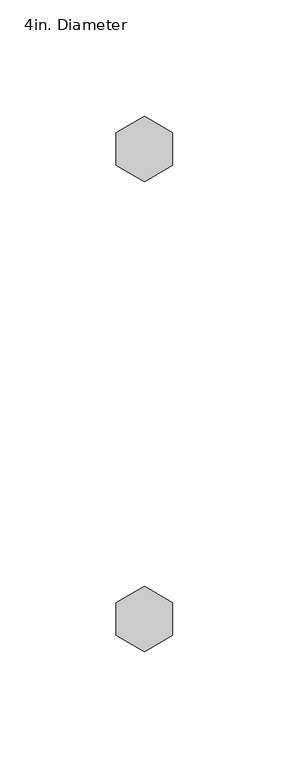
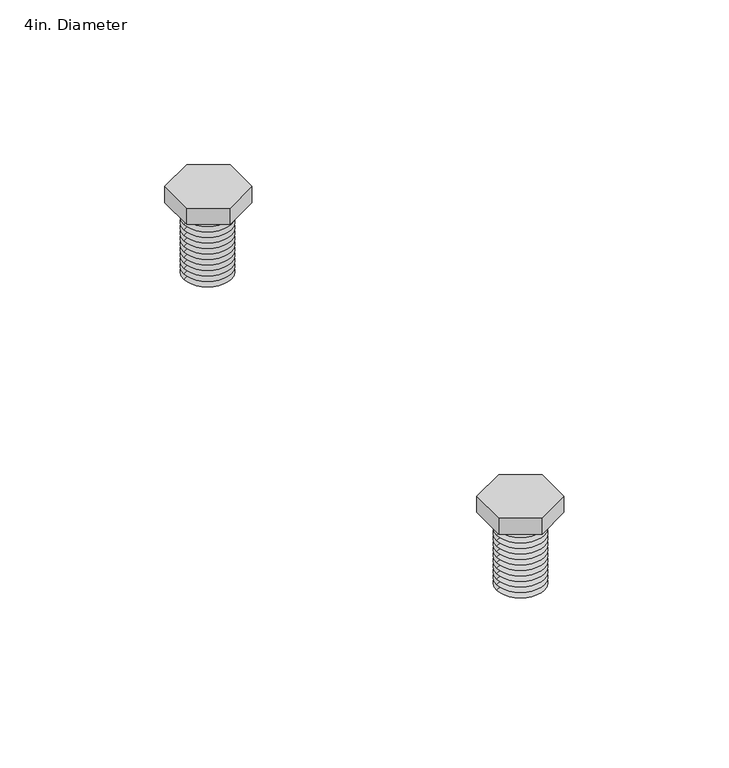
"""IFC4 building model written with IfcOpenShell, lengths in millimetres: proxy geometry, 4in. Diameter."""

from ifc_helpers import new_model, si_unit, frame, origin, place, context, project, spatial, polyline, circle_curve, source, transform, mapped, element, save
from ifc_brep_helpers import plane_surface, revolved_surface, advanced_brep


def proxy_4in_diameter_2cc1a3cd(model_context):
    return source(origin(), model_context, "Body", "AdvancedBrep", [
        advanced_brep(
        [(101.7230356, 115.3513169, 19.0730774), (89.4900703, 108.2886111, 19.0730774), (89.4900703, 94.1631994, 19.0730774), (101.7230356, 87.1004935, 19.0730774), (113.956001, 94.1631994, 19.0730774), (113.956001, 108.2886111, 19.0730774), (101.7230356, 115.3513169, 12.7), (113.956001, 108.2886111, 12.7), (113.956001, 94.1631994, 12.7), (101.7230356, 87.1004935, 12.7), (89.4900703, 94.1631994, 12.7), (89.4900703, 108.2886111, 12.7), (108.4372458, 101.6, 12.7), (94.7775515, 101.6, 12.7), (110.5262054, 101.6, 11.4939386), (92.6885919, 101.6, 11.4939386), (108.4356769, 101.6, 10.5191092), (94.7791204, 101.6, 10.5191092), (110.5262054, 101.6, 9.312142), (92.6885919, 101.6, 9.312142), (108.4356769, 101.6, 8.3373125), (94.7791204, 101.6, 8.3373125), (110.5262054, 101.6, 7.1303454), (92.6885919, 101.6, 7.1303454), (108.4356769, 101.6, 6.1555159), (94.7791204, 101.6, 6.1555159), (110.5262054, 101.6, 4.9485487), (92.6885919, 101.6, 4.9485487), (108.4356769, 101.6, 3.9737193), (94.7791204, 101.6, 3.9737193), (110.5262054, 101.6, 2.7667521), (92.6885919, 101.6, 2.7667521), (108.4356769, 101.6, 1.7919227), (94.7791204, 101.6, 1.7919227), (110.5262054, 101.6, 0.5849555), (92.6885919, 101.6, 0.5849555), (108.4356769, 101.6, -0.3898739), (94.7791204, 101.6, -0.3898739), (110.5262054, 101.6, -1.5968411), (92.6885919, 101.6, -1.5968411), (108.4356769, 101.6, -2.5716705), (94.7791204, 101.6, -2.5716705), (110.5262054, 101.6, -3.7786377), (92.6885919, 101.6, -3.7786377), (108.4356769, 101.6, -4.7534672), (94.7791204, 101.6, -4.7534672), (110.5262054, 101.6, -5.9604343), (92.6885919, 101.6, -5.9604343), (108.4356769, 101.6, -6.9352638), (94.7791204, 101.6, -6.9352638), (110.5262054, 101.6, -8.142231), (92.6885919, 101.6, -8.142231), (108.4356769, 101.6, -9.1170604), (94.7791204, 101.6, -9.1170604), (110.5262054, 101.6, -10.3240276), (92.6885919, 101.6, -10.3240276), (108.4356769, 101.6, -11.298857), (94.7791204, 101.6, -11.298857), (110.5262054, 101.6, -12.5058242), (92.6885919, 101.6, -12.5058242), (108.4356769, 101.6, -13.4806536), (94.7791204, 101.6, -13.4806536), (110.5262054, 101.6, -14.6876208), (92.6885919, 101.6, -14.6876208), (101.6073986, 101.6, -14.6876208)],
        [
            (0, 1),
            (1, 2),
            (2, 3),
            (3, 4),
            (4, 5),
            (5, 0),
            (6, 7),
            (7, 8),
            (8, 9),
            (9, 10),
            (10, 11),
            (11, 6),
            (12, 13, circle_curve(frame((101.6073986, 101.6, 12.7), z_axis=(0.0, 0.0, 1.0), x_axis=(1.0, 0.0, 0.0)), 6.8298471)),
            (13, 12, circle_curve(frame((101.6073986, 101.6, 12.7), z_axis=(0.0, 0.0, 1.0), x_axis=(1.0, 0.0, 0.0)), 6.8298471)),
            (5, 7),
            (6, 0),
            (4, 8),
            (3, 9),
            (2, 10),
            (1, 11),
            (12, 14),
            (14, 15, circle_curve(frame((101.6073986, 101.6, 11.4939386), z_axis=(0.0, 0.0, 1.0), x_axis=(1.0, 0.0, 0.0)), 8.9188068)),
            (15, 13),
            (15, 14, circle_curve(frame((101.6073986, 101.6, 11.4939386), z_axis=(0.0, 0.0, 1.0), x_axis=(1.0, 0.0, 0.0)), 8.9188068)),
            (14, 16),
            (16, 17, circle_curve(frame((101.6073986, 101.6, 10.5191092), z_axis=(0.0, 0.0, 1.0), x_axis=(1.0, 0.0, 0.0)), 6.8282783)),
            (17, 15),
            (17, 16, circle_curve(frame((101.6073986, 101.6, 10.5191092), z_axis=(0.0, 0.0, 1.0), x_axis=(1.0, 0.0, 0.0)), 6.8282783)),
            (16, 18),
            (18, 19, circle_curve(frame((101.6073986, 101.6, 9.312142), z_axis=(0.0, 0.0, 1.0), x_axis=(1.0, 0.0, 0.0)), 8.9188068)),
            (19, 17),
            (19, 18, circle_curve(frame((101.6073986, 101.6, 9.312142), z_axis=(0.0, 0.0, 1.0), x_axis=(1.0, 0.0, 0.0)), 8.9188068)),
            (18, 20),
            (20, 21, circle_curve(frame((101.6073986, 101.6, 8.3373125), z_axis=(0.0, 0.0, 1.0), x_axis=(1.0, 0.0, 0.0)), 6.8282783)),
            (21, 19),
            (21, 20, circle_curve(frame((101.6073986, 101.6, 8.3373125), z_axis=(0.0, 0.0, 1.0), x_axis=(1.0, 0.0, 0.0)), 6.8282783)),
            (20, 22),
            (22, 23, circle_curve(frame((101.6073986, 101.6, 7.1303454), z_axis=(0.0, 0.0, 1.0), x_axis=(1.0, 0.0, 0.0)), 8.9188068)),
            (23, 21),
            (23, 22, circle_curve(frame((101.6073986, 101.6, 7.1303454), z_axis=(0.0, 0.0, 1.0), x_axis=(1.0, 0.0, 0.0)), 8.9188068)),
            (22, 24),
            (24, 25, circle_curve(frame((101.6073986, 101.6, 6.1555159), z_axis=(0.0, 0.0, 1.0), x_axis=(1.0, 0.0, 0.0)), 6.8282783)),
            (25, 23),
            (25, 24, circle_curve(frame((101.6073986, 101.6, 6.1555159), z_axis=(0.0, 0.0, 1.0), x_axis=(1.0, 0.0, 0.0)), 6.8282783)),
            (24, 26),
            (26, 27, circle_curve(frame((101.6073986, 101.6, 4.9485487), z_axis=(0.0, 0.0, 1.0), x_axis=(1.0, 0.0, 0.0)), 8.9188068)),
            (27, 25),
            (27, 26, circle_curve(frame((101.6073986, 101.6, 4.9485487), z_axis=(0.0, 0.0, 1.0), x_axis=(1.0, 0.0, 0.0)), 8.9188068)),
            (26, 28),
            (28, 29, circle_curve(frame((101.6073986, 101.6, 3.9737193), z_axis=(0.0, 0.0, 1.0), x_axis=(1.0, 0.0, 0.0)), 6.8282783)),
            (29, 27),
            (29, 28, circle_curve(frame((101.6073986, 101.6, 3.9737193), z_axis=(0.0, 0.0, 1.0), x_axis=(1.0, 0.0, 0.0)), 6.8282783)),
            (28, 30),
            (30, 31, circle_curve(frame((101.6073986, 101.6, 2.7667521), z_axis=(0.0, 0.0, 1.0), x_axis=(1.0, 0.0, 0.0)), 8.9188068)),
            (31, 29),
            (31, 30, circle_curve(frame((101.6073986, 101.6, 2.7667521), z_axis=(0.0, 0.0, 1.0), x_axis=(1.0, 0.0, 0.0)), 8.9188068)),
            (30, 32),
            (32, 33, circle_curve(frame((101.6073986, 101.6, 1.7919227), z_axis=(0.0, 0.0, 1.0), x_axis=(1.0, 0.0, 0.0)), 6.8282783)),
            (33, 31),
            (33, 32, circle_curve(frame((101.6073986, 101.6, 1.7919227), z_axis=(0.0, 0.0, 1.0), x_axis=(1.0, 0.0, 0.0)), 6.8282783)),
            (32, 34),
            (34, 35, circle_curve(frame((101.6073986, 101.6, 0.5849555), z_axis=(0.0, 0.0, 1.0), x_axis=(1.0, 0.0, 0.0)), 8.9188068)),
            (35, 33),
            (35, 34, circle_curve(frame((101.6073986, 101.6, 0.5849555), z_axis=(0.0, 0.0, 1.0), x_axis=(1.0, 0.0, 0.0)), 8.9188068)),
            (34, 36),
            (36, 37, circle_curve(frame((101.6073986, 101.6, -0.3898739), z_axis=(0.0, 0.0, 1.0), x_axis=(1.0, 0.0, 0.0)), 6.8282783)),
            (37, 35),
            (37, 36, circle_curve(frame((101.6073986, 101.6, -0.3898739), z_axis=(0.0, 0.0, 1.0), x_axis=(1.0, 0.0, 0.0)), 6.8282783)),
            (36, 38),
            (38, 39, circle_curve(frame((101.6073986, 101.6, -1.5968411), z_axis=(0.0, 0.0, 1.0), x_axis=(1.0, 0.0, 0.0)), 8.9188068)),
            (39, 37),
            (39, 38, circle_curve(frame((101.6073986, 101.6, -1.5968411), z_axis=(0.0, 0.0, 1.0), x_axis=(1.0, 0.0, 0.0)), 8.9188068)),
            (38, 40),
            (40, 41, circle_curve(frame((101.6073986, 101.6, -2.5716705), z_axis=(0.0, 0.0, 1.0), x_axis=(1.0, 0.0, 0.0)), 6.8282783)),
            (41, 39),
            (41, 40, circle_curve(frame((101.6073986, 101.6, -2.5716705), z_axis=(0.0, 0.0, 1.0), x_axis=(1.0, 0.0, 0.0)), 6.8282783)),
            (40, 42),
            (42, 43, circle_curve(frame((101.6073986, 101.6, -3.7786377), z_axis=(0.0, 0.0, 1.0), x_axis=(1.0, 0.0, 0.0)), 8.9188068)),
            (43, 41),
            (43, 42, circle_curve(frame((101.6073986, 101.6, -3.7786377), z_axis=(0.0, 0.0, 1.0), x_axis=(1.0, 0.0, 0.0)), 8.9188068)),
            (42, 44),
            (44, 45, circle_curve(frame((101.6073986, 101.6, -4.7534672), z_axis=(0.0, 0.0, 1.0), x_axis=(1.0, 0.0, 0.0)), 6.8282783)),
            (45, 43),
            (45, 44, circle_curve(frame((101.6073986, 101.6, -4.7534672), z_axis=(0.0, 0.0, 1.0), x_axis=(1.0, 0.0, 0.0)), 6.8282783)),
            (44, 46),
            (46, 47, circle_curve(frame((101.6073986, 101.6, -5.9604343), z_axis=(0.0, 0.0, 1.0), x_axis=(1.0, 0.0, 0.0)), 8.9188068)),
            (47, 45),
            (47, 46, circle_curve(frame((101.6073986, 101.6, -5.9604343), z_axis=(0.0, 0.0, 1.0), x_axis=(1.0, 0.0, 0.0)), 8.9188068)),
            (46, 48),
            (48, 49, circle_curve(frame((101.6073986, 101.6, -6.9352638), z_axis=(0.0, 0.0, 1.0), x_axis=(1.0, 0.0, 0.0)), 6.8282783)),
            (49, 47),
            (49, 48, circle_curve(frame((101.6073986, 101.6, -6.9352638), z_axis=(0.0, 0.0, 1.0), x_axis=(1.0, 0.0, 0.0)), 6.8282783)),
            (48, 50),
            (50, 51, circle_curve(frame((101.6073986, 101.6, -8.142231), z_axis=(0.0, 0.0, 1.0), x_axis=(1.0, 0.0, 0.0)), 8.9188068)),
            (51, 49),
            (51, 50, circle_curve(frame((101.6073986, 101.6, -8.142231), z_axis=(0.0, 0.0, 1.0), x_axis=(1.0, 0.0, 0.0)), 8.9188068)),
            (50, 52),
            (52, 53, circle_curve(frame((101.6073986, 101.6, -9.1170604), z_axis=(0.0, 0.0, 1.0), x_axis=(1.0, 0.0, 0.0)), 6.8282783)),
            (53, 51),
            (53, 52, circle_curve(frame((101.6073986, 101.6, -9.1170604), z_axis=(0.0, 0.0, 1.0), x_axis=(1.0, 0.0, 0.0)), 6.8282783)),
            (52, 54),
            (54, 55, circle_curve(frame((101.6073986, 101.6, -10.3240276), z_axis=(0.0, 0.0, 1.0), x_axis=(1.0, 0.0, 0.0)), 8.9188068)),
            (55, 53),
            (55, 54, circle_curve(frame((101.6073986, 101.6, -10.3240276), z_axis=(0.0, 0.0, 1.0), x_axis=(1.0, 0.0, 0.0)), 8.9188068)),
            (54, 56),
            (56, 57, circle_curve(frame((101.6073986, 101.6, -11.298857), z_axis=(0.0, 0.0, 1.0), x_axis=(1.0, 0.0, 0.0)), 6.8282783)),
            (57, 55),
            (57, 56, circle_curve(frame((101.6073986, 101.6, -11.298857), z_axis=(0.0, 0.0, 1.0), x_axis=(1.0, 0.0, 0.0)), 6.8282783)),
            (56, 58),
            (58, 59, circle_curve(frame((101.6073986, 101.6, -12.5058242), z_axis=(0.0, 0.0, 1.0), x_axis=(1.0, 0.0, 0.0)), 8.9188068)),
            (59, 57),
            (59, 58, circle_curve(frame((101.6073986, 101.6, -12.5058242), z_axis=(0.0, 0.0, 1.0), x_axis=(1.0, 0.0, 0.0)), 8.9188068)),
            (58, 60),
            (60, 61, circle_curve(frame((101.6073986, 101.6, -13.4806536), z_axis=(0.0, 0.0, 1.0), x_axis=(1.0, 0.0, 0.0)), 6.8282783)),
            (61, 59),
            (61, 60, circle_curve(frame((101.6073986, 101.6, -13.4806536), z_axis=(0.0, 0.0, 1.0), x_axis=(1.0, 0.0, 0.0)), 6.8282783)),
            (60, 62),
            (62, 63, circle_curve(frame((101.6073986, 101.6, -14.6876208), z_axis=(0.0, 0.0, 1.0), x_axis=(1.0, 0.0, 0.0)), 8.9188068)),
            (63, 61),
            (63, 62, circle_curve(frame((101.6073986, 101.6, -14.6876208), z_axis=(0.0, 0.0, 1.0), x_axis=(1.0, 0.0, 0.0)), 8.9188068)),
            (62, 64),
            (64, 63),
        ],
        [
            plane_surface(frame((87.669053, 107.2372462, 19.0730774), z_axis=(0.0, 0.0, 1.0), x_axis=(-0.866025403784438, -0.5000000000000011, 0.0))),
            plane_surface(frame((87.669053, 107.2372462, 12.7), z_axis=(0.0, 0.0, -1.0), x_axis=(0.866025403784438, 0.5000000000000011, 0.0))),
            plane_surface(frame((113.956001, 108.2886111, 19.0730774), z_axis=(0.4999999999999984, 0.8660254037844396, 0.0), x_axis=(0.0, 0.0, -1.0))),
            plane_surface(frame((113.956001, 94.1631994, 19.0730774), z_axis=(1.0, 0.0, 0.0), x_axis=(0.0, 0.0, -1.0))),
            plane_surface(frame((101.7230356, 87.1004935, 19.0730774), z_axis=(0.5000000000000028, -0.8660254037844372, 0.0), x_axis=(0.0, 0.0, -1.0))),
            plane_surface(frame((89.4900703, 94.1631994, 19.0730774), z_axis=(-0.49999999999999434, -0.8660254037844419, 0.0), x_axis=(0.0, 0.0, -1.0))),
            plane_surface(frame((89.4900703, 108.2886111, 19.0730774), z_axis=(-1.0, 0.0, 0.0), x_axis=(0.0, 0.0, -1.0))),
            plane_surface(frame((101.7230356, 115.3513169, 19.0730774), z_axis=(-0.5000000000000011, 0.866025403784438, 0.0), x_axis=(0.0, 0.0, -1.0))),
            revolved_surface(polyline([(110.5262054, 101.6, 11.4939386), (108.4356769, 101.6, 12.7009058)]), (101.6073986, 101.6, 12.5015625), (0.0, 0.0, 1.0)),
            revolved_surface(polyline([(108.4356769, 101.6, 10.5191092), (110.5262054, 101.6, 11.4939386)]), (101.6073986, 101.6, 12.5015625), (0.0, 0.0, 1.0)),
            revolved_surface(polyline([(110.5262054, 101.6, 9.312142), (108.4356769, 101.6, 10.5191092)]), (101.6073986, 101.6, 12.5015625), (0.0, 0.0, 1.0)),
            revolved_surface(polyline([(108.4356769, 101.6, 8.3373125), (110.5262054, 101.6, 9.312142)]), (101.6073986, 101.6, 12.5015625), (0.0, 0.0, 1.0)),
            revolved_surface(polyline([(110.5262054, 101.6, 7.1303454), (108.4356769, 101.6, 8.3373125)]), (101.6073986, 101.6, 12.5015625), (0.0, 0.0, 1.0)),
            revolved_surface(polyline([(108.4356769, 101.6, 6.1555159), (110.5262054, 101.6, 7.1303454)]), (101.6073986, 101.6, 12.5015625), (0.0, 0.0, 1.0)),
            revolved_surface(polyline([(110.5262054, 101.6, 4.9485487), (108.4356769, 101.6, 6.1555159)]), (101.6073986, 101.6, 12.5015625), (0.0, 0.0, 1.0)),
            revolved_surface(polyline([(108.4356769, 101.6, 3.9737193), (110.5262054, 101.6, 4.9485487)]), (101.6073986, 101.6, 12.5015625), (0.0, 0.0, 1.0)),
            revolved_surface(polyline([(110.5262054, 101.6, 2.7667521), (108.4356769, 101.6, 3.9737193)]), (101.6073986, 101.6, 12.5015625), (0.0, 0.0, 1.0)),
            revolved_surface(polyline([(108.4356769, 101.6, 1.7919227), (110.5262054, 101.6, 2.7667521)]), (101.6073986, 101.6, 12.5015625), (0.0, 0.0, 1.0)),
            revolved_surface(polyline([(110.5262054, 101.6, 0.5849555), (108.4356769, 101.6, 1.7919227)]), (101.6073986, 101.6, 12.5015625), (0.0, 0.0, 1.0)),
            revolved_surface(polyline([(108.4356769, 101.6, -0.3898739), (110.5262054, 101.6, 0.5849555)]), (101.6073986, 101.6, 12.5015625), (0.0, 0.0, 1.0)),
            revolved_surface(polyline([(110.5262054, 101.6, -1.5968411), (108.4356769, 101.6, -0.3898739)]), (101.6073986, 101.6, 12.5015625), (0.0, 0.0, 1.0)),
            revolved_surface(polyline([(108.4356769, 101.6, -2.5716705), (110.5262054, 101.6, -1.5968411)]), (101.6073986, 101.6, 12.5015625), (0.0, 0.0, 1.0)),
            revolved_surface(polyline([(110.5262054, 101.6, -3.7786377), (108.4356769, 101.6, -2.5716705)]), (101.6073986, 101.6, 12.5015625), (0.0, 0.0, 1.0)),
            revolved_surface(polyline([(108.4356769, 101.6, -4.7534672), (110.5262054, 101.6, -3.7786377)]), (101.6073986, 101.6, 12.5015625), (0.0, 0.0, 1.0)),
            revolved_surface(polyline([(110.5262054, 101.6, -5.9604343), (108.4356769, 101.6, -4.7534672)]), (101.6073986, 101.6, 12.5015625), (0.0, 0.0, 1.0)),
            revolved_surface(polyline([(108.4356769, 101.6, -6.9352638), (110.5262054, 101.6, -5.9604343)]), (101.6073986, 101.6, 12.5015625), (0.0, 0.0, 1.0)),
            revolved_surface(polyline([(110.5262054, 101.6, -8.142231), (108.4356769, 101.6, -6.9352638)]), (101.6073986, 101.6, 12.5015625), (0.0, 0.0, 1.0)),
            revolved_surface(polyline([(108.4356769, 101.6, -9.1170604), (110.5262054, 101.6, -8.142231)]), (101.6073986, 101.6, 12.5015625), (0.0, 0.0, 1.0)),
            revolved_surface(polyline([(110.5262054, 101.6, -10.3240276), (108.4356769, 101.6, -9.1170604)]), (101.6073986, 101.6, 12.5015625), (0.0, 0.0, 1.0)),
            revolved_surface(polyline([(108.4356769, 101.6, -11.298857), (110.5262054, 101.6, -10.3240276)]), (101.6073986, 101.6, 12.5015625), (0.0, 0.0, 1.0)),
            revolved_surface(polyline([(110.5262054, 101.6, -12.5058242), (108.4356769, 101.6, -11.298857)]), (101.6073986, 101.6, 12.5015625), (0.0, 0.0, 1.0)),
            revolved_surface(polyline([(108.4356769, 101.6, -13.4806536), (110.5262054, 101.6, -12.5058242)]), (101.6073986, 101.6, 12.5015625), (0.0, 0.0, 1.0)),
            revolved_surface(polyline([(110.5262054, 101.6, -14.6876208), (108.4356769, 101.6, -13.4806536)]), (101.6073986, 101.6, 12.5015625), (0.0, 0.0, 1.0)),
            plane_surface(frame((101.6073986, 101.6, -14.6876208), z_axis=(0.0, 0.0, -1.0), x_axis=(1.0, 0.0, 0.0))),
        ],
        [
            (0, [[1, 2, 3, 4, 5, 6]]),
            (1, [[7, 8, 9, 10, 11, 12], [13, 14]]),
            (2, [[-6, 15, -7, 16]]),
            (3, [[-5, 17, -8, -15]]),
            (4, [[-4, 18, -9, -17]]),
            (5, [[-3, 19, -10, -18]]),
            (6, [[-2, 20, -11, -19]]),
            (7, [[-1, -16, -12, -20]]),
            (8, [[21, 22, 23, -13]]),
            (8, [[-21, -14, -23, 24]]),
            (9, [[-22, 25, 26, 27]]),
            (9, [[-24, -27, 28, -25]]),
            (10, [[-26, 29, 30, 31]]),
            (10, [[-28, -31, 32, -29]]),
            (11, [[-30, 33, 34, 35]]),
            (11, [[-32, -35, 36, -33]]),
            (12, [[-34, 37, 38, 39]]),
            (12, [[-36, -39, 40, -37]]),
            (13, [[-38, 41, 42, 43]]),
            (13, [[-40, -43, 44, -41]]),
            (14, [[-42, 45, 46, 47]]),
            (14, [[-44, -47, 48, -45]]),
            (15, [[-46, 49, 50, 51]]),
            (15, [[-48, -51, 52, -49]]),
            (16, [[-50, 53, 54, 55]]),
            (16, [[-52, -55, 56, -53]]),
            (17, [[-54, 57, 58, 59]]),
            (17, [[-56, -59, 60, -57]]),
            (18, [[-58, 61, 62, 63]]),
            (18, [[-60, -63, 64, -61]]),
            (19, [[-62, 65, 66, 67]]),
            (19, [[-64, -67, 68, -65]]),
            (20, [[-66, 69, 70, 71]]),
            (20, [[-68, -71, 72, -69]]),
            (21, [[-70, 73, 74, 75]]),
            (21, [[-72, -75, 76, -73]]),
            (22, [[-74, 77, 78, 79]]),
            (22, [[-76, -79, 80, -77]]),
            (23, [[-78, 81, 82, 83]]),
            (23, [[-80, -83, 84, -81]]),
            (24, [[-82, 85, 86, 87]]),
            (24, [[-84, -87, 88, -85]]),
            (25, [[-86, 89, 90, 91]]),
            (25, [[-88, -91, 92, -89]]),
            (26, [[-90, 93, 94, 95]]),
            (26, [[-92, -95, 96, -93]]),
            (27, [[-94, 97, 98, 99]]),
            (27, [[-96, -99, 100, -97]]),
            (28, [[-98, 101, 102, 103]]),
            (28, [[-100, -103, 104, -101]]),
            (29, [[-102, 105, 106, 107]]),
            (29, [[-104, -107, 108, -105]]),
            (30, [[-106, 109, 110, 111]]),
            (30, [[-108, -111, 112, -109]]),
            (31, [[-110, 113, 114, 115]]),
            (31, [[-112, -115, 116, -113]]),
            (32, [[-114, 117, 118, 119]]),
            (32, [[-116, -119, 120, -117]]),
            (33, [[-118, 121, 122]]),
            (33, [[-120, -122, -121]]),
        ],
    ),
        advanced_brep(
        [(92.6885919, -101.6, 11.4939386), (110.5262054, -101.6, 11.4939386), (108.4356769, -101.6, 12.7009058), (94.7775515, -101.6, 12.7), (94.7791204, -101.6, 10.5191092), (108.4356769, -101.6, 10.5191092), (92.6885919, -101.6, 9.312142), (110.5262054, -101.6, 9.312142), (94.7791204, -101.6, 8.3373125), (108.4356769, -101.6, 8.3373125), (92.6885919, -101.6, 7.1303454), (110.5262054, -101.6, 7.1303454), (94.7791204, -101.6, 6.1555159), (108.4356769, -101.6, 6.1555159), (92.6885919, -101.6, 4.9485487), (110.5262054, -101.6, 4.9485487), (94.7791204, -101.6, 3.9737193), (108.4356769, -101.6, 3.9737193), (92.6885919, -101.6, 2.7667521), (110.5262054, -101.6, 2.7667521), (94.7791204, -101.6, 1.7919227), (108.4356769, -101.6, 1.7919227), (92.6885919, -101.6, 0.5849555), (110.5262054, -101.6, 0.5849555), (94.7791204, -101.6, -0.3898739), (108.4356769, -101.6, -0.3898739), (92.6885919, -101.6, -1.5968411), (110.5262054, -101.6, -1.5968411), (94.7791204, -101.6, -2.5716705), (108.4356769, -101.6, -2.5716705), (92.6885919, -101.6, -3.7786377), (110.5262054, -101.6, -3.7786377), (94.7791204, -101.6, -4.7534672), (108.4356769, -101.6, -4.7534672), (92.6885919, -101.6, -5.9604343), (110.5262054, -101.6, -5.9604343), (94.7791204, -101.6, -6.9352638), (108.4356769, -101.6, -6.9352638), (92.6885919, -101.6, -8.142231), (110.5262054, -101.6, -8.142231), (94.7791204, -101.6, -9.1170604), (108.4356769, -101.6, -9.1170604), (92.6885919, -101.6, -10.3240276), (110.5262054, -101.6, -10.3240276), (94.7791204, -101.6, -11.298857), (108.4356769, -101.6, -11.298857), (92.6885919, -101.6, -12.5058242), (110.5262054, -101.6, -12.5058242), (94.7791204, -101.6, -13.4806536), (108.4356769, -101.6, -13.4806536), (92.6885919, -101.6, -14.6876208), (110.5262054, -101.6, -14.6876208), (101.6073986, -101.6, -14.6876208), (101.7230356, -115.3513169, 19.0730774), (113.956001, -108.2886111, 19.0730774), (113.956001, -94.1631994, 19.0730774), (101.7230356, -87.1004935, 19.0730774), (89.4900703, -94.1631994, 19.0730774), (89.4900703, -108.2886111, 19.0730774), (101.7230356, -115.3513169, 12.7), (89.4900703, -108.2886111, 12.7), (89.4900703, -94.1631994, 12.7), (101.7230356, -87.1004935, 12.7), (113.956001, -94.1631994, 12.7), (113.956001, -108.2886111, 12.7)],
        [
            (0, 1, circle_curve(frame((101.6073986, -101.6, 11.4939386), z_axis=(0.0, 0.0, 1.0), x_axis=(1.0, 0.0, 0.0)), 8.9188068)),
            (1, 2),
            (2, 3, circle_curve(frame((101.6073986, -101.6, 12.7), z_axis=(0.0, 0.0, -1.0), x_axis=(1.0, 0.0, 0.0)), 6.8298471)),
            (3, 0),
            (1, 0, circle_curve(frame((101.6073986, -101.6, 11.4939386), z_axis=(0.0, 0.0, 1.0), x_axis=(1.0, 0.0, 0.0)), 8.9188068)),
            (3, 2, circle_curve(frame((101.6073986, -101.6, 12.7), z_axis=(0.0, 0.0, -1.0), x_axis=(1.0, 0.0, 0.0)), 6.8298471)),
            (0, 4),
            (4, 5, circle_curve(frame((101.6073986, -101.6, 10.5191092), z_axis=(0.0, 0.0, 1.0), x_axis=(1.0, 0.0, 0.0)), 6.8282783)),
            (5, 1),
            (5, 4, circle_curve(frame((101.6073986, -101.6, 10.5191092), z_axis=(0.0, 0.0, 1.0), x_axis=(1.0, 0.0, 0.0)), 6.8282783)),
            (4, 6),
            (6, 7, circle_curve(frame((101.6073986, -101.6, 9.312142), z_axis=(0.0, 0.0, 1.0), x_axis=(1.0, 0.0, 0.0)), 8.9188068)),
            (7, 5),
            (7, 6, circle_curve(frame((101.6073986, -101.6, 9.312142), z_axis=(0.0, 0.0, 1.0), x_axis=(1.0, 0.0, 0.0)), 8.9188068)),
            (6, 8),
            (8, 9, circle_curve(frame((101.6073986, -101.6, 8.3373125), z_axis=(0.0, 0.0, 1.0), x_axis=(1.0, 0.0, 0.0)), 6.8282783)),
            (9, 7),
            (9, 8, circle_curve(frame((101.6073986, -101.6, 8.3373125), z_axis=(0.0, 0.0, 1.0), x_axis=(1.0, 0.0, 0.0)), 6.8282783)),
            (8, 10),
            (10, 11, circle_curve(frame((101.6073986, -101.6, 7.1303454), z_axis=(0.0, 0.0, 1.0), x_axis=(1.0, 0.0, 0.0)), 8.9188068)),
            (11, 9),
            (11, 10, circle_curve(frame((101.6073986, -101.6, 7.1303454), z_axis=(0.0, 0.0, 1.0), x_axis=(1.0, 0.0, 0.0)), 8.9188068)),
            (10, 12),
            (12, 13, circle_curve(frame((101.6073986, -101.6, 6.1555159), z_axis=(0.0, 0.0, 1.0), x_axis=(1.0, 0.0, 0.0)), 6.8282783)),
            (13, 11),
            (13, 12, circle_curve(frame((101.6073986, -101.6, 6.1555159), z_axis=(0.0, 0.0, 1.0), x_axis=(1.0, 0.0, 0.0)), 6.8282783)),
            (12, 14),
            (14, 15, circle_curve(frame((101.6073986, -101.6, 4.9485487), z_axis=(0.0, 0.0, 1.0), x_axis=(1.0, 0.0, 0.0)), 8.9188068)),
            (15, 13),
            (15, 14, circle_curve(frame((101.6073986, -101.6, 4.9485487), z_axis=(0.0, 0.0, 1.0), x_axis=(1.0, 0.0, 0.0)), 8.9188068)),
            (14, 16),
            (16, 17, circle_curve(frame((101.6073986, -101.6, 3.9737193), z_axis=(0.0, 0.0, 1.0), x_axis=(1.0, 0.0, 0.0)), 6.8282783)),
            (17, 15),
            (17, 16, circle_curve(frame((101.6073986, -101.6, 3.9737193), z_axis=(0.0, 0.0, 1.0), x_axis=(1.0, 0.0, 0.0)), 6.8282783)),
            (16, 18),
            (18, 19, circle_curve(frame((101.6073986, -101.6, 2.7667521), z_axis=(0.0, 0.0, 1.0), x_axis=(1.0, 0.0, 0.0)), 8.9188068)),
            (19, 17),
            (19, 18, circle_curve(frame((101.6073986, -101.6, 2.7667521), z_axis=(0.0, 0.0, 1.0), x_axis=(1.0, 0.0, 0.0)), 8.9188068)),
            (18, 20),
            (20, 21, circle_curve(frame((101.6073986, -101.6, 1.7919227), z_axis=(0.0, 0.0, 1.0), x_axis=(1.0, 0.0, 0.0)), 6.8282783)),
            (21, 19),
            (21, 20, circle_curve(frame((101.6073986, -101.6, 1.7919227), z_axis=(0.0, 0.0, 1.0), x_axis=(1.0, 0.0, 0.0)), 6.8282783)),
            (20, 22),
            (22, 23, circle_curve(frame((101.6073986, -101.6, 0.5849555), z_axis=(0.0, 0.0, 1.0), x_axis=(1.0, 0.0, 0.0)), 8.9188068)),
            (23, 21),
            (23, 22, circle_curve(frame((101.6073986, -101.6, 0.5849555), z_axis=(0.0, 0.0, 1.0), x_axis=(1.0, 0.0, 0.0)), 8.9188068)),
            (22, 24),
            (24, 25, circle_curve(frame((101.6073986, -101.6, -0.3898739), z_axis=(0.0, 0.0, 1.0), x_axis=(1.0, 0.0, 0.0)), 6.8282783)),
            (25, 23),
            (25, 24, circle_curve(frame((101.6073986, -101.6, -0.3898739), z_axis=(0.0, 0.0, 1.0), x_axis=(1.0, 0.0, 0.0)), 6.8282783)),
            (24, 26),
            (26, 27, circle_curve(frame((101.6073986, -101.6, -1.5968411), z_axis=(0.0, 0.0, 1.0), x_axis=(1.0, 0.0, 0.0)), 8.9188068)),
            (27, 25),
            (27, 26, circle_curve(frame((101.6073986, -101.6, -1.5968411), z_axis=(0.0, 0.0, 1.0), x_axis=(1.0, 0.0, 0.0)), 8.9188068)),
            (26, 28),
            (28, 29, circle_curve(frame((101.6073986, -101.6, -2.5716705), z_axis=(0.0, 0.0, 1.0), x_axis=(1.0, 0.0, 0.0)), 6.8282783)),
            (29, 27),
            (29, 28, circle_curve(frame((101.6073986, -101.6, -2.5716705), z_axis=(0.0, 0.0, 1.0), x_axis=(1.0, 0.0, 0.0)), 6.8282783)),
            (28, 30),
            (30, 31, circle_curve(frame((101.6073986, -101.6, -3.7786377), z_axis=(0.0, 0.0, 1.0), x_axis=(1.0, 0.0, 0.0)), 8.9188068)),
            (31, 29),
            (31, 30, circle_curve(frame((101.6073986, -101.6, -3.7786377), z_axis=(0.0, 0.0, 1.0), x_axis=(1.0, 0.0, 0.0)), 8.9188068)),
            (30, 32),
            (32, 33, circle_curve(frame((101.6073986, -101.6, -4.7534672), z_axis=(0.0, 0.0, 1.0), x_axis=(1.0, 0.0, 0.0)), 6.8282783)),
            (33, 31),
            (33, 32, circle_curve(frame((101.6073986, -101.6, -4.7534672), z_axis=(0.0, 0.0, 1.0), x_axis=(1.0, 0.0, 0.0)), 6.8282783)),
            (32, 34),
            (34, 35, circle_curve(frame((101.6073986, -101.6, -5.9604343), z_axis=(0.0, 0.0, 1.0), x_axis=(1.0, 0.0, 0.0)), 8.9188068)),
            (35, 33),
            (35, 34, circle_curve(frame((101.6073986, -101.6, -5.9604343), z_axis=(0.0, 0.0, 1.0), x_axis=(1.0, 0.0, 0.0)), 8.9188068)),
            (34, 36),
            (36, 37, circle_curve(frame((101.6073986, -101.6, -6.9352638), z_axis=(0.0, 0.0, 1.0), x_axis=(1.0, 0.0, 0.0)), 6.8282783)),
            (37, 35),
            (37, 36, circle_curve(frame((101.6073986, -101.6, -6.9352638), z_axis=(0.0, 0.0, 1.0), x_axis=(1.0, 0.0, 0.0)), 6.8282783)),
            (36, 38),
            (38, 39, circle_curve(frame((101.6073986, -101.6, -8.142231), z_axis=(0.0, 0.0, 1.0), x_axis=(1.0, 0.0, 0.0)), 8.9188068)),
            (39, 37),
            (39, 38, circle_curve(frame((101.6073986, -101.6, -8.142231), z_axis=(0.0, 0.0, 1.0), x_axis=(1.0, 0.0, 0.0)), 8.9188068)),
            (38, 40),
            (40, 41, circle_curve(frame((101.6073986, -101.6, -9.1170604), z_axis=(0.0, 0.0, 1.0), x_axis=(1.0, 0.0, 0.0)), 6.8282783)),
            (41, 39),
            (41, 40, circle_curve(frame((101.6073986, -101.6, -9.1170604), z_axis=(0.0, 0.0, 1.0), x_axis=(1.0, 0.0, 0.0)), 6.8282783)),
            (40, 42),
            (42, 43, circle_curve(frame((101.6073986, -101.6, -10.3240276), z_axis=(0.0, 0.0, 1.0), x_axis=(1.0, 0.0, 0.0)), 8.9188068)),
            (43, 41),
            (43, 42, circle_curve(frame((101.6073986, -101.6, -10.3240276), z_axis=(0.0, 0.0, 1.0), x_axis=(1.0, 0.0, 0.0)), 8.9188068)),
            (42, 44),
            (44, 45, circle_curve(frame((101.6073986, -101.6, -11.298857), z_axis=(0.0, 0.0, 1.0), x_axis=(1.0, 0.0, 0.0)), 6.8282783)),
            (45, 43),
            (45, 44, circle_curve(frame((101.6073986, -101.6, -11.298857), z_axis=(0.0, 0.0, 1.0), x_axis=(1.0, 0.0, 0.0)), 6.8282783)),
            (44, 46),
            (46, 47, circle_curve(frame((101.6073986, -101.6, -12.5058242), z_axis=(0.0, 0.0, 1.0), x_axis=(1.0, 0.0, 0.0)), 8.9188068)),
            (47, 45),
            (47, 46, circle_curve(frame((101.6073986, -101.6, -12.5058242), z_axis=(0.0, 0.0, 1.0), x_axis=(1.0, 0.0, 0.0)), 8.9188068)),
            (46, 48),
            (48, 49, circle_curve(frame((101.6073986, -101.6, -13.4806536), z_axis=(0.0, 0.0, 1.0), x_axis=(1.0, 0.0, 0.0)), 6.8282783)),
            (49, 47),
            (49, 48, circle_curve(frame((101.6073986, -101.6, -13.4806536), z_axis=(0.0, 0.0, 1.0), x_axis=(1.0, 0.0, 0.0)), 6.8282783)),
            (48, 50),
            (50, 51, circle_curve(frame((101.6073986, -101.6, -14.6876208), z_axis=(0.0, 0.0, 1.0), x_axis=(1.0, 0.0, 0.0)), 8.9188068)),
            (51, 49),
            (51, 50, circle_curve(frame((101.6073986, -101.6, -14.6876208), z_axis=(0.0, 0.0, 1.0), x_axis=(1.0, 0.0, 0.0)), 8.9188068)),
            (50, 52),
            (52, 51),
            (53, 54),
            (54, 55),
            (55, 56),
            (56, 57),
            (57, 58),
            (58, 53),
            (59, 60),
            (60, 61),
            (61, 62),
            (62, 63),
            (63, 64),
            (64, 59),
            (53, 59),
            (64, 54),
            (63, 55),
            (62, 56),
            (61, 57),
            (60, 58),
        ],
        [
            revolved_surface(polyline([(108.4356769, -101.6, 12.7009058), (110.5262054, -101.6, 11.4939386)]), (101.6073986, -101.6, 12.5015625), (0.0, 0.0, -1.0)),
            revolved_surface(polyline([(110.5262054, -101.6, 11.4939386), (108.4356769, -101.6, 10.5191092)]), (101.6073986, -101.6, 12.5015625), (0.0, 0.0, -1.0)),
            revolved_surface(polyline([(108.4356769, -101.6, 10.5191092), (110.5262054, -101.6, 9.312142)]), (101.6073986, -101.6, 12.5015625), (0.0, 0.0, -1.0)),
            revolved_surface(polyline([(110.5262054, -101.6, 9.312142), (108.4356769, -101.6, 8.3373125)]), (101.6073986, -101.6, 12.5015625), (0.0, 0.0, -1.0)),
            revolved_surface(polyline([(108.4356769, -101.6, 8.3373125), (110.5262054, -101.6, 7.1303454)]), (101.6073986, -101.6, 12.5015625), (0.0, 0.0, -1.0)),
            revolved_surface(polyline([(110.5262054, -101.6, 7.1303454), (108.4356769, -101.6, 6.1555159)]), (101.6073986, -101.6, 12.5015625), (0.0, 0.0, -1.0)),
            revolved_surface(polyline([(108.4356769, -101.6, 6.1555159), (110.5262054, -101.6, 4.9485487)]), (101.6073986, -101.6, 12.5015625), (0.0, 0.0, -1.0)),
            revolved_surface(polyline([(110.5262054, -101.6, 4.9485487), (108.4356769, -101.6, 3.9737193)]), (101.6073986, -101.6, 12.5015625), (0.0, 0.0, -1.0)),
            revolved_surface(polyline([(108.4356769, -101.6, 3.9737193), (110.5262054, -101.6, 2.7667521)]), (101.6073986, -101.6, 12.5015625), (0.0, 0.0, -1.0)),
            revolved_surface(polyline([(110.5262054, -101.6, 2.7667521), (108.4356769, -101.6, 1.7919227)]), (101.6073986, -101.6, 12.5015625), (0.0, 0.0, -1.0)),
            revolved_surface(polyline([(108.4356769, -101.6, 1.7919227), (110.5262054, -101.6, 0.5849555)]), (101.6073986, -101.6, 12.5015625), (0.0, 0.0, -1.0)),
            revolved_surface(polyline([(110.5262054, -101.6, 0.5849555), (108.4356769, -101.6, -0.3898739)]), (101.6073986, -101.6, 12.5015625), (0.0, 0.0, -1.0)),
            revolved_surface(polyline([(108.4356769, -101.6, -0.3898739), (110.5262054, -101.6, -1.5968411)]), (101.6073986, -101.6, 12.5015625), (0.0, 0.0, -1.0)),
            revolved_surface(polyline([(110.5262054, -101.6, -1.5968411), (108.4356769, -101.6, -2.5716705)]), (101.6073986, -101.6, 12.5015625), (0.0, 0.0, -1.0)),
            revolved_surface(polyline([(108.4356769, -101.6, -2.5716705), (110.5262054, -101.6, -3.7786377)]), (101.6073986, -101.6, 12.5015625), (0.0, 0.0, -1.0)),
            revolved_surface(polyline([(110.5262054, -101.6, -3.7786377), (108.4356769, -101.6, -4.7534672)]), (101.6073986, -101.6, 12.5015625), (0.0, 0.0, -1.0)),
            revolved_surface(polyline([(108.4356769, -101.6, -4.7534672), (110.5262054, -101.6, -5.9604343)]), (101.6073986, -101.6, 12.5015625), (0.0, 0.0, -1.0)),
            revolved_surface(polyline([(110.5262054, -101.6, -5.9604343), (108.4356769, -101.6, -6.9352638)]), (101.6073986, -101.6, 12.5015625), (0.0, 0.0, -1.0)),
            revolved_surface(polyline([(108.4356769, -101.6, -6.9352638), (110.5262054, -101.6, -8.142231)]), (101.6073986, -101.6, 12.5015625), (0.0, 0.0, -1.0)),
            revolved_surface(polyline([(110.5262054, -101.6, -8.142231), (108.4356769, -101.6, -9.1170604)]), (101.6073986, -101.6, 12.5015625), (0.0, 0.0, -1.0)),
            revolved_surface(polyline([(108.4356769, -101.6, -9.1170604), (110.5262054, -101.6, -10.3240276)]), (101.6073986, -101.6, 12.5015625), (0.0, 0.0, -1.0)),
            revolved_surface(polyline([(110.5262054, -101.6, -10.3240276), (108.4356769, -101.6, -11.298857)]), (101.6073986, -101.6, 12.5015625), (0.0, 0.0, -1.0)),
            revolved_surface(polyline([(108.4356769, -101.6, -11.298857), (110.5262054, -101.6, -12.5058242)]), (101.6073986, -101.6, 12.5015625), (0.0, 0.0, -1.0)),
            revolved_surface(polyline([(110.5262054, -101.6, -12.5058242), (108.4356769, -101.6, -13.4806536)]), (101.6073986, -101.6, 12.5015625), (0.0, 0.0, -1.0)),
            revolved_surface(polyline([(108.4356769, -101.6, -13.4806536), (110.5262054, -101.6, -14.6876208)]), (101.6073986, -101.6, 12.5015625), (0.0, 0.0, -1.0)),
            plane_surface(frame((101.6073986, -101.6, -14.6876208), z_axis=(0.0, 0.0, -1.0), x_axis=(1.0, 0.0, 0.0))),
            plane_surface(frame((99.9020183, -116.4026818, 19.0730774), z_axis=(0.0, 0.0, 1.0), x_axis=(0.8660254037844396, 0.4999999999999984, 0.0))),
            plane_surface(frame((99.9020183, -116.4026818, 12.7), z_axis=(0.0, 0.0, -1.0), x_axis=(-0.8660254037844396, -0.4999999999999984, 0.0))),
            plane_surface(frame((101.7230356, -115.3513169, 19.0730774), z_axis=(0.4999999999999984, -0.8660254037844396, 0.0), x_axis=(0.0, 0.0, -1.0))),
            plane_surface(frame((113.956001, -108.2886111, 19.0730774), z_axis=(1.0, 0.0, 0.0), x_axis=(0.0, 0.0, -1.0))),
            plane_surface(frame((113.956001, -94.1631994, 19.0730774), z_axis=(0.5000000000000028, 0.8660254037844372, 0.0), x_axis=(0.0, 0.0, -1.0))),
            plane_surface(frame((101.7230356, -87.1004935, 19.0730774), z_axis=(-0.49999999999999434, 0.8660254037844419, 0.0), x_axis=(0.0, 0.0, -1.0))),
            plane_surface(frame((89.4900703, -94.1631994, 19.0730774), z_axis=(-1.0, 0.0, 0.0), x_axis=(0.0, 0.0, -1.0))),
            plane_surface(frame((89.4900703, -108.2886111, 19.0730774), z_axis=(-0.5000000000000011, -0.866025403784438, 0.0), x_axis=(0.0, 0.0, -1.0))),
        ],
        [
            (0, [[1, 2, 3, 4]]),
            (0, [[-2, 5, -4, 6]]),
            (1, [[-1, 7, 8, 9]]),
            (1, [[-5, -9, 10, -7]]),
            (2, [[-8, 11, 12, 13]]),
            (2, [[-10, -13, 14, -11]]),
            (3, [[-12, 15, 16, 17]]),
            (3, [[-14, -17, 18, -15]]),
            (4, [[-16, 19, 20, 21]]),
            (4, [[-18, -21, 22, -19]]),
            (5, [[-20, 23, 24, 25]]),
            (5, [[-22, -25, 26, -23]]),
            (6, [[-24, 27, 28, 29]]),
            (6, [[-26, -29, 30, -27]]),
            (7, [[-28, 31, 32, 33]]),
            (7, [[-30, -33, 34, -31]]),
            (8, [[-32, 35, 36, 37]]),
            (8, [[-34, -37, 38, -35]]),
            (9, [[-36, 39, 40, 41]]),
            (9, [[-38, -41, 42, -39]]),
            (10, [[-40, 43, 44, 45]]),
            (10, [[-42, -45, 46, -43]]),
            (11, [[-44, 47, 48, 49]]),
            (11, [[-46, -49, 50, -47]]),
            (12, [[-48, 51, 52, 53]]),
            (12, [[-50, -53, 54, -51]]),
            (13, [[-52, 55, 56, 57]]),
            (13, [[-54, -57, 58, -55]]),
            (14, [[-56, 59, 60, 61]]),
            (14, [[-58, -61, 62, -59]]),
            (15, [[-60, 63, 64, 65]]),
            (15, [[-62, -65, 66, -63]]),
            (16, [[-64, 67, 68, 69]]),
            (16, [[-66, -69, 70, -67]]),
            (17, [[-68, 71, 72, 73]]),
            (17, [[-70, -73, 74, -71]]),
            (18, [[-72, 75, 76, 77]]),
            (18, [[-74, -77, 78, -75]]),
            (19, [[-76, 79, 80, 81]]),
            (19, [[-78, -81, 82, -79]]),
            (20, [[-80, 83, 84, 85]]),
            (20, [[-82, -85, 86, -83]]),
            (21, [[-84, 87, 88, 89]]),
            (21, [[-86, -89, 90, -87]]),
            (22, [[-88, 91, 92, 93]]),
            (22, [[-90, -93, 94, -91]]),
            (23, [[-92, 95, 96, 97]]),
            (23, [[-94, -97, 98, -95]]),
            (24, [[-96, 99, 100, 101]]),
            (24, [[-98, -101, 102, -99]]),
            (25, [[-100, 103, 104]]),
            (25, [[-102, -104, -103]]),
            (26, [[105, 106, 107, 108, 109, 110]]),
            (27, [[111, 112, 113, 114, 115, 116], [-3, -6]]),
            (28, [[-105, 117, -116, 118]]),
            (29, [[-106, -118, -115, 119]]),
            (30, [[-107, -119, -114, 120]]),
            (31, [[-108, -120, -113, 121]]),
            (32, [[-109, -121, -112, 122]]),
            (33, [[-110, -122, -111, -117]]),
        ],
    ),
    ])


if __name__ == "__main__":
    model = new_model("IFC4")
    model_context = context("Model", 3, world=origin())
    ifc_project = project(units=[si_unit("LENGTHUNIT", "METRE", prefix="MILLI")], contexts=[model_context])
    site = spatial("IfcSite", under=ifc_project)
    building = spatial("IfcBuilding", under=site)
    placement = place(None, origin())
    proxy_4in_diameter_shape = proxy_4in_diameter_2cc1a3cd(model_context)
    element("IfcBuildingElementProxy", 1, Name="4in. Diameter", ObjectType="4in. Diameter", at=placement, inside=building, context=model_context, shape_type="MappedRepresentation", body=[
        mapped(proxy_4in_diameter_shape, transform((0.0, 0.0, 0.0), x_axis=(1.0, 0.0, 0.0), y_axis=(0.0, 1.0, 0.0), z_axis=(0.0, 0.0, 1.0))),
    ])
    save(model, "model.ifc")
